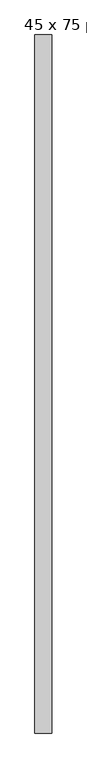
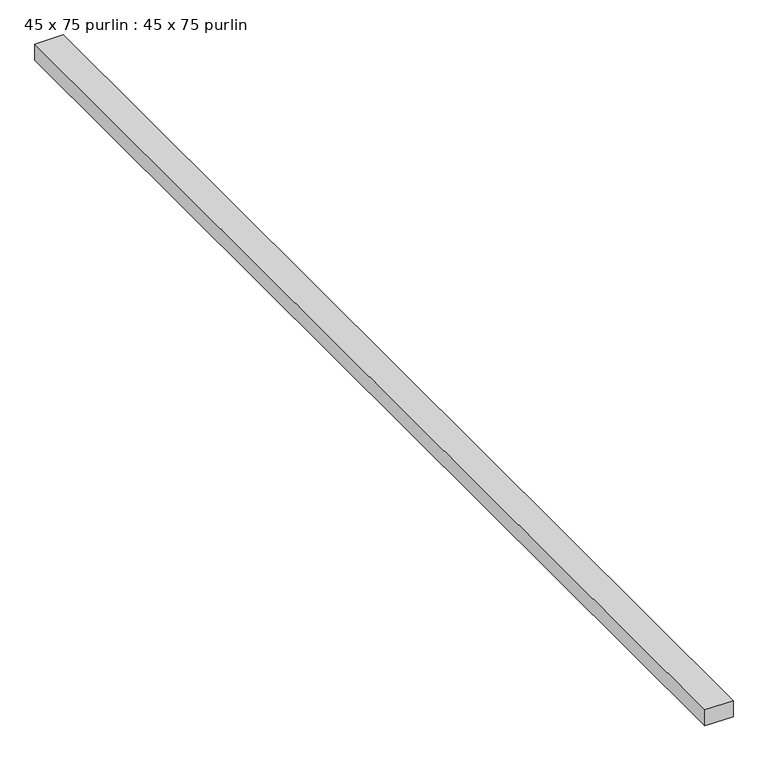
"""IFC4 building model written with IfcOpenShell, lengths in millimetres: proxy geometry, 45 x 75 purlin : 45 x 75 purlin."""

from ifc_helpers import new_model, si_unit, frame, origin, place, context, project, spatial, polyline, outline, extrude, source, transform, mapped, element, save


def proxy_45_x_75_purlin_45_x_75_purlin_2bdcc668(model_context):
    return source(origin(), model_context, "Body", "SweptSolid", [
        extrude(outline(polyline([(-11754.1372223, -1297.2639474), (-11829.1372223, -1297.2639474), (-11829.1372223, 1792.7360526), (-11754.1372223, 1792.7360526), (-11754.1372223, -1297.2639474)])), frame((0.0, 0.0, 3784.2452806), z_axis=(0.0, 0.0, 1.0), x_axis=(1.0, 0.0, 0.0)), (0.0, 0.0, 1.0), 45.0),
    ])


if __name__ == "__main__":
    model = new_model("IFC4")
    model_context = context("Model", 3, world=origin())
    ifc_project = project(units=[si_unit("LENGTHUNIT", "METRE", prefix="MILLI")], contexts=[model_context])
    site = spatial("IfcSite", under=ifc_project)
    building = spatial("IfcBuilding", under=site)
    placement = place(None, origin())
    proxy_45_x_75_purlin_45_x_75_purlin_shape = proxy_45_x_75_purlin_45_x_75_purlin_2bdcc668(model_context)
    element("IfcBuildingElementProxy", 1, Name="45 x 75 purlin : 45 x 75 purlin", ObjectType="45 x 75 purlin : 45 x 75 purlin", at=placement, inside=building, context=model_context, shape_type="MappedRepresentation", body=[
        mapped(proxy_45_x_75_purlin_45_x_75_purlin_shape, transform((0.0, 0.0, 0.0), x_axis=(1.0, 0.0, 0.0), y_axis=(0.0, 1.0, 0.0), z_axis=(0.0, 0.0, 1.0))),
    ])
    save(model, "model.ifc")
